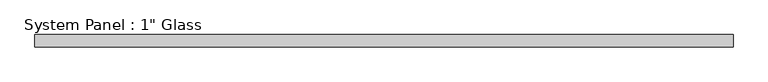
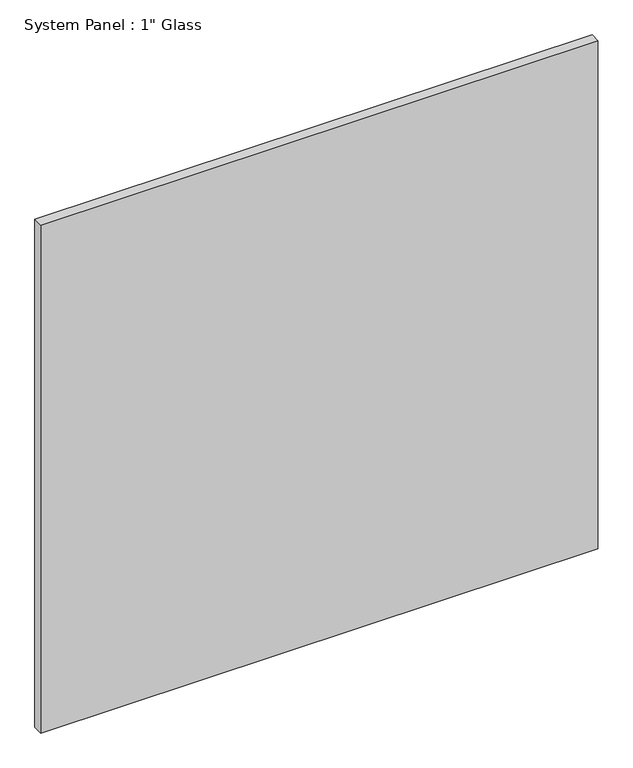
"""IFC4 building model written with IfcOpenShell, lengths in millimetres: plate geometry."""

from ifc_helpers import new_model, si_unit, origin, origin_with_axes, place, context, project, spatial, polyline, outline, extrude, source, transform, mapped, element, save


def plate_1122c197(model_context):
    return source(origin(), model_context, "Body", "SweptSolid", [
        extrude(outline(polyline([(724.9095691, -10.31875), (-724.9095691, -10.31875), (-724.9095691, 15.08125), (724.9095691, 15.08125), (724.9095691, -10.31875)])), origin_with_axes(), (0.0, 0.0, 1.0), 1397.5261731),
    ])


if __name__ == "__main__":
    model = new_model("IFC4")
    model_context = context("Model", 3, world=origin())
    ifc_project = project(units=[si_unit("LENGTHUNIT", "METRE", prefix="MILLI")], contexts=[model_context])
    site = spatial("IfcSite", under=ifc_project)
    building = spatial("IfcBuilding", under=site)
    placement = place(None, origin())
    plate_shape = plate_1122c197(model_context)
    element("IfcPlate", 1, ObjectType="System Panel : 1\" Glass", at=placement, inside=building, context=model_context, shape_type="MappedRepresentation", body=[
        mapped(plate_shape, transform((0.0, 0.0, 0.0), x_axis=(1.0, 0.0, 0.0), y_axis=(0.0, 1.0, 0.0), z_axis=(0.0, 0.0, 1.0))),
    ])
    save(model, "model.ifc")
